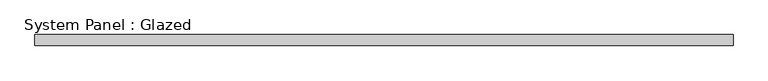
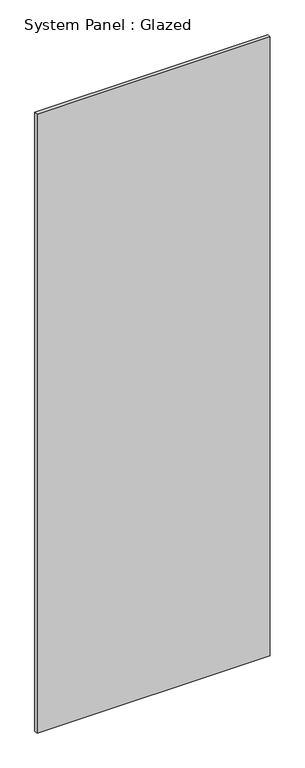
"""IFC4 building model written with IfcOpenShell, lengths in millimetres: plate geometry, System Panel : Glazed."""

from ifc_helpers import new_model, si_unit, origin, origin_with_axes, place, context, project, spatial, polyline, outline, extrude, source, transform, mapped, element, save


def system_panel_glazed_e155478d(model_context):
    return source(origin(), model_context, "Body", "SweptSolid", [
        extrude(outline(polyline([(802.0833333, 24.5), (-802.0833333, 24.5), (-802.0833333, 49.5), (802.0833333, 49.5), (802.0833333, 24.5)])), origin_with_axes(), (0.0, 0.0, 1.0), 4500.0),
    ])


if __name__ == "__main__":
    model = new_model("IFC4")
    model_context = context("Model", 3, world=origin())
    ifc_project = project(units=[si_unit("LENGTHUNIT", "METRE", prefix="MILLI")], contexts=[model_context])
    site = spatial("IfcSite", under=ifc_project)
    building = spatial("IfcBuilding", under=site)
    placement = place(None, origin())
    system_panel_glazed_shape = system_panel_glazed_e155478d(model_context)
    element("IfcPlate", 1, ObjectType="System Panel : Glazed", at=placement, inside=building, context=model_context, shape_type="MappedRepresentation", body=[
        mapped(system_panel_glazed_shape, transform((0.0, 0.0, 0.0), x_axis=(1.0, 0.0, 0.0), y_axis=(0.0, 1.0, 0.0), z_axis=(0.0, 0.0, 1.0))),
    ])
    save(model, "model.ifc")
